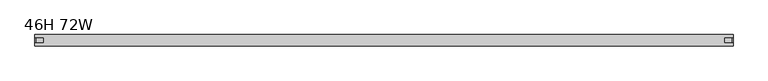
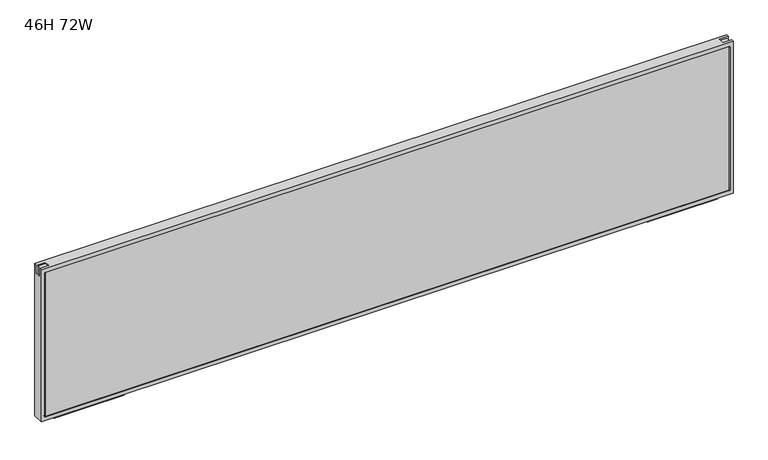
"""IFC4 building model written with IfcOpenShell, lengths in millimetres: furniture geometry, 46H 72W."""

from ifc_helpers import new_model, si_unit, frame, origin, place, context, project, spatial, polyline, circle_curve, outline, extrude, source, transform, mapped, element, save
from ifc_brep_helpers import plane_surface, revolved_surface, advanced_brep


def furniture_46h_72w_981c2d52(model_context):
    return source(origin(), model_context, "Body", "SolidModel", [
        extrude(outline(polyline([(8.4697679, 726.1923898), (6.659978, 724.3826), (-6.659978, 724.3826), (-8.4697679, 726.1923898), (-8.7854056, 732.2151161), (8.7854056, 732.2151161), (8.4697679, 726.1923898)])), frame((1603.4119922, 0.0, 0.0), z_axis=(1.0, 0.0, 0.0), x_axis=(0.0, 1.0, 0.0)), (0.0, 0.0, 1.0), 184.6490785),
        extrude(outline(polyline([(8.4697679, 726.1923898), (6.659978, 724.3826), (-6.659978, 724.3826), (-8.4697679, 726.1923898), (-8.7854056, 732.2151161), (8.7854056, 732.2151161), (8.4697679, 726.1923898)])), frame((37.6909293, 0.0, 0.0), z_axis=(1.0, 0.0, 0.0), x_axis=(0.0, 1.0, 0.0)), (0.0, 0.0, 1.0), 184.6490785),
        advanced_brep(
        [(0.0, -14.75, 1156.589), (0.0, -14.75, 732.2151161), (1825.752, -14.75, 732.2151161), (1825.752, -14.75, 1156.589), (1814.7519651, -14.75, 742.965114), (11.4000184, -14.75, 742.965114), (8.4000005, -14.75, 745.9651317), (8.4000005, -14.75, 1142.8389579), (11.4000383, -14.75, 1145.8389956), (1814.8728524, -14.75, 1145.8389956), (1817.752, -14.75, 1142.959848), (1817.752, -14.75, 745.9651489), (0.0, 14.75, 1156.589), (1825.752, 14.75, 1156.589), (1825.752, 14.75, 732.2151161), (0.0, 14.75, 732.2151161), (1814.7519651, 14.75, 742.965114), (1817.752, 14.75, 745.9651489), (1817.752, 14.75, 1142.959848), (1814.8728524, 14.75, 1145.8389956), (11.4000383, 14.75, 1145.8389956), (8.4000005, 14.75, 1142.8389579), (8.4000005, 14.75, 745.9651317), (11.4000184, 14.75, 742.965114), (0.0, -7.4999998, 1156.589), (0.0, -7.4999998, 1133.2078517), (0.0, 7.4999998, 1133.2078517), (0.0, 7.4999998, 1156.589), (1825.752, 7.4999998, 1156.589), (1825.752, 7.4999998, 1133.1484257), (1825.752, -7.4999998, 1133.1484257), (1825.752, -7.4999998, 1156.589), (1802.3708517, -7.4999998, 1156.589), (1802.3708517, 7.4999998, 1156.589), (23.5000004, 7.4999998, 1156.589), (23.5000004, -7.4999998, 1156.589), (23.5000004, -7.4999998, 1153.3578572), (3.3499999, -7.4999998, 1153.3578572), (3.3499999, -7.4999998, 1133.2078517), (1822.5208572, -7.4999998, 1133.1484257), (1822.5208572, -7.4999998, 1153.2984261), (1802.3708517, -7.4999998, 1153.2984261), (3.3499999, 7.4999998, 1133.2078517), (3.3499999, 7.4999998, 1153.3578572), (23.5000004, 7.4999998, 1153.3578572), (1802.3708517, 7.4999998, 1153.2984261), (1822.5208572, 7.4999998, 1153.2984261), (1822.5208572, 7.4999998, 1133.1484257)],
        [
            (0, 1),
            (1, 2),
            (2, 3),
            (3, 0),
            (4, 5),
            (5, 6, circle_curve(frame((11.4000184, -14.75, 745.9651319), z_axis=(0.0, 1.0, 0.0), x_axis=(1.0, 0.0, 0.0)), 3.0000179)),
            (6, 7),
            (7, 8, circle_curve(frame((11.4000383, -14.75, 1142.8389579), z_axis=(0.0, 1.0, 0.0), x_axis=(1.0, 0.0, 0.0)), 3.0000378)),
            (8, 9),
            (9, 10, circle_curve(frame((1814.8728524, -14.75, 1142.959848), z_axis=(0.0, 1.0, 0.0), x_axis=(1.0, 0.0, 0.0)), 2.8791476)),
            (10, 11),
            (11, 4, circle_curve(frame((1814.7519651, -14.75, 745.9651489), z_axis=(0.0, 1.0, 0.0), x_axis=(1.0, 0.0, 0.0)), 3.0000349)),
            (12, 13),
            (13, 14),
            (14, 15),
            (15, 12),
            (16, 17, circle_curve(frame((1814.7519651, 14.75, 745.9651489), z_axis=(0.0, -1.0, 0.0), x_axis=(1.0, 0.0, 0.0)), 3.0000349)),
            (17, 18),
            (18, 19, circle_curve(frame((1814.8728524, 14.75, 1142.959848), z_axis=(0.0, -1.0, 0.0), x_axis=(1.0, 0.0, 0.0)), 2.8791476)),
            (19, 20),
            (20, 21, circle_curve(frame((11.4000383, 14.75, 1142.8389579), z_axis=(0.0, -1.0, 0.0), x_axis=(1.0, 0.0, 0.0)), 3.0000378)),
            (21, 22),
            (22, 23, circle_curve(frame((11.4000184, 14.75, 745.9651319), z_axis=(0.0, -1.0, 0.0), x_axis=(1.0, 0.0, 0.0)), 3.0000179)),
            (23, 16),
            (0, 24),
            (24, 25),
            (25, 26),
            (26, 27),
            (27, 12),
            (15, 1),
            (14, 2),
            (13, 28),
            (28, 29),
            (29, 30),
            (30, 31),
            (31, 3),
            (31, 32),
            (32, 33),
            (33, 28),
            (27, 34),
            (34, 35),
            (35, 24),
            (4, 16),
            (23, 5),
            (6, 22),
            (21, 7),
            (8, 20),
            (19, 9),
            (35, 36),
            (36, 37),
            (37, 38),
            (38, 25),
            (30, 39),
            (39, 40),
            (40, 41),
            (41, 32),
            (26, 42),
            (42, 43),
            (43, 44),
            (44, 34),
            (33, 45),
            (45, 46),
            (46, 47),
            (47, 29),
            (38, 42),
            (37, 43),
            (44, 36),
            (41, 45),
            (40, 46),
            (39, 47),
            (18, 10),
            (17, 11),
        ],
        [
            plane_surface(frame((0.0, -14.75, 1156.589), z_axis=(0.0, -1.0, 0.0), x_axis=(0.0, 0.0, -1.0))),
            plane_surface(frame((0.0, 14.75, 1156.589), z_axis=(0.0, 1.0, 0.0), x_axis=(0.0, 0.0, 1.0))),
            plane_surface(frame((0.0, -14.75, 1156.589), z_axis=(-1.0, 0.0, 0.0), x_axis=(0.0, 1.0, 0.0))),
            plane_surface(frame((0.0, -14.75, 732.2151161), z_axis=(0.0, 0.0, -1.0), x_axis=(0.0, 1.0, 0.0))),
            plane_surface(frame((1825.752, -14.75, 732.2151161), z_axis=(1.0, 0.0, 0.0), x_axis=(0.0, 1.0, 0.0))),
            plane_surface(frame((1825.752, -14.75, 1156.589), z_axis=(0.0, 0.0, 1.0), x_axis=(0.0, 1.0, 0.0))),
            plane_surface(frame((1814.7519651, -14.75, 742.965114), z_axis=(0.0, 0.0, 1.0), x_axis=(0.0, 1.0, 0.0))),
            plane_surface(frame((8.4000005, -14.75, 745.9651317), z_axis=(1.0, 0.0, 0.0), x_axis=(0.0, 1.0, 0.0))),
            plane_surface(frame((11.4000383, -14.75, 1145.8389956), z_axis=(0.0, 0.0, -1.0), x_axis=(0.0, 1.0, 0.0))),
            plane_surface(frame((0.0, -7.4999998, 1156.589), z_axis=(0.0, 1.0, 0.0), x_axis=(0.0, 0.0, -1.0))),
            plane_surface(frame((0.0, 7.4999998, 1156.589), z_axis=(0.0, -1.0, 0.0), x_axis=(0.0, 0.0, 1.0))),
            plane_surface(frame((0.0, -7.4999998, 1133.2078517), z_axis=(0.0, 0.0, 1.0), x_axis=(0.0, 1.0, 0.0))),
            plane_surface(frame((3.3499999, -7.4999998, 1133.2078517), z_axis=(-1.0, 0.0, 0.0), x_axis=(0.0, 1.0, 0.0))),
            plane_surface(frame((23.5000004, -7.4999998, 1153.3578572), z_axis=(-1.0, 0.0, 0.0), x_axis=(0.0, 1.0, 0.0))),
            plane_surface(frame((3.3499999, -7.4999998, 1153.3578572), z_axis=(0.0, 0.0, 1.0), x_axis=(0.0, 1.0, 0.0))),
            plane_surface(frame((1802.3708517, -7.4999998, 1156.589), z_axis=(1.0, 0.0, 0.0), x_axis=(0.0, 1.0, 0.0))),
            plane_surface(frame((1802.3708517, -7.4999998, 1153.2984261), z_axis=(0.0, 0.0, 1.0), x_axis=(0.0, 1.0, 0.0))),
            plane_surface(frame((1822.5208572, -7.4999998, 1153.2984261), z_axis=(1.0, 0.0, 0.0), x_axis=(0.0, 1.0, 0.0))),
            plane_surface(frame((1822.5208572, -7.4999998, 1133.1484257), z_axis=(0.0, 0.0, 1.0), x_axis=(0.0, 1.0, 0.0))),
            revolved_surface(polyline([(14.4000363, 14.75, 745.9651319), (14.4000363, -14.75, 745.9651319)]), (11.4000184, 0.0, 745.9651319), (0.0, 1.0, 0.0)),
            revolved_surface(polyline([(14.4000761, 14.75, 1142.8389579), (14.4000761, -14.75, 1142.8389579)]), (11.4000383, 0.0, 1142.8389579), (0.0, 1.0, 0.0)),
            revolved_surface(polyline([(1817.752, 14.75, 1142.959848), (1817.752, -14.75, 1142.959848)]), (1814.8728524, 0.0, 1142.959848), (0.0, 1.0, 0.0)),
            plane_surface(frame((1817.752, -14.75, 1142.959848), z_axis=(-1.0, 0.0, 0.0), x_axis=(0.0, 1.0, 0.0))),
            revolved_surface(polyline([(1817.752, 14.75, 745.9651489), (1817.752, -14.75, 745.9651489)]), (1814.7519651, 0.0, 745.9651489), (0.0, 1.0, 0.0)),
        ],
        [
            (0, [[1, 2, 3, 4], [5, 6, 7, 8, 9, 10, 11, 12]]),
            (1, [[13, 14, 15, 16], [17, 18, 19, 20, 21, 22, 23, 24]]),
            (2, [[-1, 25, 26, 27, 28, 29, -16, 30]]),
            (3, [[-2, -30, -15, 31]]),
            (4, [[-3, -31, -14, 32, 33, 34, 35, 36]]),
            (5, [[-4, -36, 37, 38, 39, -32, -13, -29, 40, 41, 42, -25]]),
            (6, [[-5, 43, -24, 44]]),
            (7, [[-7, 45, -22, 46]]),
            (8, [[-9, 47, -20, 48]]),
            (9, [[49, 50, 51, 52, -26, -42]]),
            (9, [[53, 54, 55, 56, -37, -35]]),
            (10, [[57, 58, 59, 60, -40, -28]]),
            (10, [[61, 62, 63, 64, -33, -39]]),
            (11, [[-52, 65, -57, -27]]),
            (12, [[-51, 66, -58, -65]]),
            (13, [[-49, -41, -60, 67]]),
            (14, [[-50, -67, -59, -66]]),
            (15, [[-56, 68, -61, -38]]),
            (16, [[-55, 69, -62, -68]]),
            (17, [[-54, 70, -63, -69]]),
            (18, [[-53, -34, -64, -70]]),
            (19, [[-6, -44, -23, -45]]),
            (20, [[-8, -46, -21, -47]]),
            (21, [[-10, -48, -19, 71]]),
            (22, [[-11, -71, -18, 72]]),
            (23, [[-12, -72, -17, -43]]),
        ],
    ),
        extrude(outline(polyline([(1815.252, 13.2219268), (1815.252, -13.2456324), (10.5, -13.2456324), (10.5, 13.2219268), (1815.252, 13.2219268)])), frame((0.0, 0.0, 743.3543649), z_axis=(0.0, 0.0, 1.0), x_axis=(1.0, 0.0, 0.0)), (0.0, 0.0, 1.0), 402.8212067),
    ])


if __name__ == "__main__":
    model = new_model("IFC4")
    model_context = context("Model", 3, world=origin())
    ifc_project = project(units=[si_unit("LENGTHUNIT", "METRE", prefix="MILLI")], contexts=[model_context])
    site = spatial("IfcSite", under=ifc_project)
    building = spatial("IfcBuilding", under=site)
    placement = place(None, origin())
    furniture_46h_72w_shape = furniture_46h_72w_981c2d52(model_context)
    element("IfcFurniture", 1, ObjectType="46H 72W", at=placement, inside=building, context=model_context, shape_type="MappedRepresentation", body=[
        mapped(furniture_46h_72w_shape, transform((0.0, 0.0, 0.0), x_axis=(1.0, 0.0, 0.0), y_axis=(0.0, 1.0, 0.0), z_axis=(0.0, 0.0, 1.0))),
    ])
    save(model, "model.ifc")
